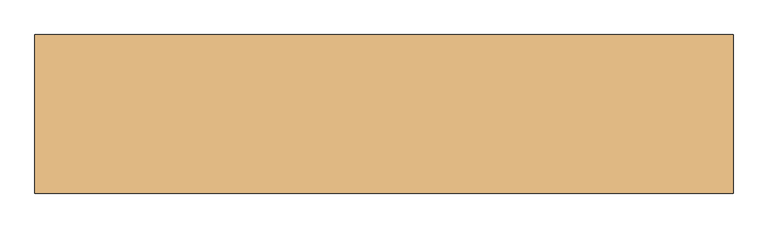
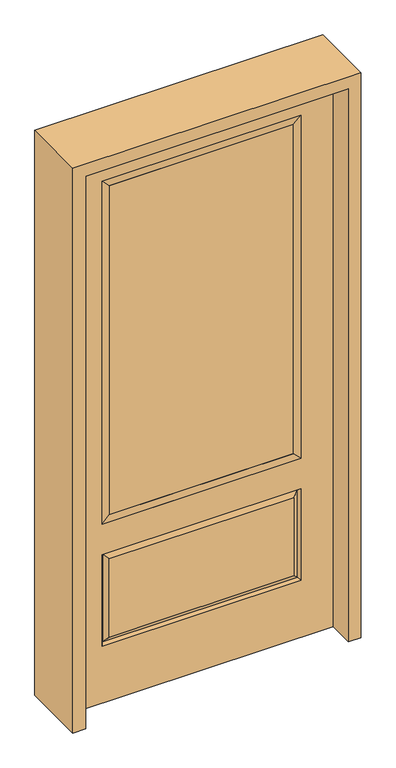
"""IFC4 building model written with IfcOpenShell, lengths in millimetres: door geometry."""

from ifc_helpers import new_model, si_unit, frame, origin, place, context, project, spatial, polyline, outline, extrude, faceted_brep, source, transform, mapped, element, save


def door_df111016(model_context):
    return source(origin(), model_context, "Body", "SolidModel", [
        faceted_brep([(-338.9661499, -12.7912373, 216.6588501), (338.9661499, -12.7912373, 216.6588501), (321.46875, -22.225, 234.15625), (-321.46875, -22.225, 234.15625), (-346.075, -22.225, 209.55), (346.075, -22.225, 209.55), (-338.9661499, -12.7912373, 538.9911499), (-346.075, -22.225, 546.1), (321.46875, -22.225, 521.49375), (-321.46875, -22.225, 521.49375), (457.2, -22.225, 2032.0), (-457.2, -22.225, 2032.0), (-457.2, -22.225, 0.0), (457.2, -22.225, 0.0), (346.075, -22.225, 546.1), (346.075, -22.225, 1917.7), (346.075, -22.225, 657.098), (-346.075, -22.225, 657.098), (-346.075, -22.225, 1917.7), (338.9661499, -12.7912373, 538.9911499), (-457.2, 22.225, 2032.0), (-457.2, 22.225, 0.0), (457.2, 22.225, 0.0), (457.2, 22.225, 2032.0), (346.075, 22.225, 1917.7), (346.075, 22.225, 657.098), (-346.075, 22.225, 657.098), (-346.075, 22.225, 1917.7), (-346.075, 22.225, 209.55), (346.075, 22.225, 209.55), (346.075, 22.225, 546.1), (-346.075, 22.225, 546.1), (321.46875, 22.225, 234.15625), (-321.46875, 22.225, 234.15625), (-321.46875, 22.225, 521.49375), (321.46875, 22.225, 521.49375), (-338.9661499, 12.7912373, 216.6588501), (338.9661499, 12.7912373, 216.6588501), (338.9661499, 12.7912373, 538.9911499), (-338.9661499, 12.7912373, 538.9911499)], [[[0, 1, 2, 3]], [[1, 0, 4, 5]], [[4, 0, 6, 7]], [[3, 2, 8, 9]], [[10, 11, 12, 13], [5, 4, 7, 14], [15, 16, 17, 18]], [[1, 5, 14, 19]], [[2, 1, 19, 8]], [[0, 3, 9, 6]], [[7, 6, 19, 14]], [[6, 9, 8, 19]], [[12, 11, 20, 21]], [[13, 12, 21, 22]], [[10, 13, 22, 23]], [[16, 15, 24, 25]], [[17, 16, 25, 26]], [[18, 17, 26, 27]], [[23, 22, 21, 20], [28, 29, 30, 31], [24, 27, 26, 25]], [[32, 33, 34, 35]], [[28, 36, 37, 29]], [[29, 37, 38, 30]], [[39, 31, 30, 38]], [[36, 28, 31, 39]], [[37, 36, 33, 32]], [[33, 36, 39, 34]], [[34, 39, 38, 35]], [[37, 32, 35, 38]], [[11, 10, 23, 20]], [[15, 18, 27, 24]]]),
        faceted_brep([(-346.075, -22.225, 1917.7), (-346.075, 22.225, 1917.7), (-346.075, 22.225, 657.098), (-346.075, -22.225, 657.098), (346.075, 22.225, 657.098), (346.075, -22.225, 657.098), (-320.675, 5.08, 682.498), (320.675, 5.08, 682.498), (346.075, 22.225, 1917.7), (346.075, -22.225, 1917.7), (-320.675, -20.32, 682.498), (320.675, -20.32, 682.498), (-320.675, -20.32, 1892.3), (320.675, -20.32, 1892.3), (-320.675, 5.08, 1892.3), (320.675, 5.08, 1892.3)], [[[0, 1, 2, 3]], [[3, 2, 4, 5]], [[2, 6, 7, 4]], [[5, 4, 8, 9]], [[10, 3, 5, 11]], [[12, 0, 3, 10]], [[11, 5, 9, 13]], [[6, 10, 11, 7]], [[14, 12, 10, 6]], [[7, 11, 13, 15]], [[1, 14, 6, 2]], [[4, 7, 15, 8]], [[9, 8, 1, 0]], [[13, 9, 0, 12]], [[15, 13, 12, 14]], [[8, 15, 14, 1]]]),
        extrude(outline(polyline([(320.675, -20.32), (-320.675, -20.32), (-320.675, 5.08), (320.675, 5.08), (320.675, -20.32)])), frame((0.0, 0.0, 682.498), z_axis=(0.0, 0.0, 1.0), x_axis=(1.0, 0.0, 0.0)), (0.0, 0.0, 1.0), 1209.802),
        extrude(outline(polyline([(2076.45, -501.65), (0.0, -501.65), (0.0, -457.2), (2032.0, -457.2), (2032.0, 457.2), (0.0, 457.2), (0.0, 501.65), (2076.45, 501.65), (2076.45, -501.65)])), frame((0.0, -114.3, 0.0), z_axis=(0.0, 1.0, 0.0), x_axis=(0.0, 0.0, 1.0)), (0.0, 0.0, 1.0), 228.6),
    ])


if __name__ == "__main__":
    model = new_model("IFC4")
    model_context = context("Model", 3, world=origin())
    ifc_project = project(units=[si_unit("LENGTHUNIT", "METRE", prefix="MILLI")], contexts=[model_context])
    site = spatial("IfcSite", under=ifc_project)
    building = spatial("IfcBuilding", under=site)
    placement = place(None, origin())
    door_shape = door_df111016(model_context)
    element("IfcDoor", 1, at=placement, inside=building, context=model_context, shape_type="MappedRepresentation", body=[
        mapped(door_shape, transform((0.0, 0.0, 0.0), x_axis=(1.0, 0.0, 0.0), y_axis=(0.0, 1.0, 0.0), z_axis=(0.0, 0.0, 1.0))),
    ])
    save(model, "model.ifc")
